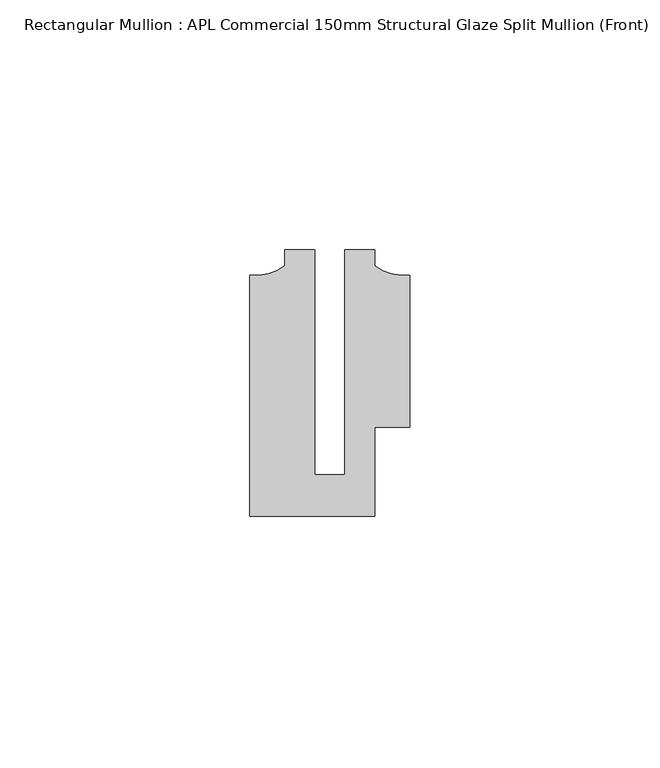
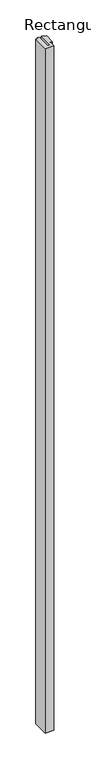
"""IFC4 building model written with IfcOpenShell, lengths in millimetres: member geometry, Rectangular Mullion : APL Commercial 150mm Structural Glaze Split Mullion (Front)."""

from ifc_helpers import new_model, si_unit, point, frame, frame_2d, origin, place, context, project, spatial, polyline, circle_curve, trimmed, segment, composite_curve, outline, extrude, source, transform, mapped, element, save


def rectangular_mullion_apl_commercial_150mm_structural_glaze_05d67338(model_context):
    return source(origin(), model_context, "Body", "SweptSolid", [
        extrude(outline(composite_curve([segment(polyline([(15.9999391, -14.9953356), (9.0, -14.9953356), (9.0, -32.7960123), (-15.9999391, -32.7960123), (-15.9999391, 15.3837352)]), True, "CONTINUOUS"), segment(trimmed(circle_curve(frame_2d((-15.1098019, 25.802169)), 10.4563907), [point((-15.9999391, 15.3837352))], [point((-8.9999842, 17.3165203))], True, "CARTESIAN"), True, "CONTINUOUS"), segment(polyline([(-8.9999842, 17.3165203), (-8.9999842, 20.5039877), (-2.9999659, 20.5039877), (-2.9999659, -24.5130805), (2.9999676, -24.5130805), (2.9999676, 20.5039877), (8.9999842, 20.5039877), (8.9999842, 17.3165203)]), True, "CONTINUOUS"), segment(trimmed(circle_curve(frame_2d((15.1098019, 25.802169)), 10.4563907), [point((8.9999842, 17.3165203))], [point((15.9999391, 15.3837352))], True, "CARTESIAN"), True, "CONTINUOUS"), segment(polyline([(15.9999391, 15.3837352), (15.9999391, -14.9953356)]), True, "CONTINUOUS")], self_intersect=False)), frame((0.0, 0.0, -2165.0000127), z_axis=(0.0, 0.0, 1.0), x_axis=(1.0, 0.0, 0.0)), (0.0, 0.0, 1.0), 2165.0000127),
    ])


if __name__ == "__main__":
    model = new_model("IFC4")
    model_context = context("Model", 3, world=origin())
    ifc_project = project(units=[si_unit("LENGTHUNIT", "METRE", prefix="MILLI")], contexts=[model_context])
    site = spatial("IfcSite", under=ifc_project)
    building = spatial("IfcBuilding", under=site)
    placement = place(None, origin())
    rectangular_mullion_apl_commercial_150mm_structural_glaze_shape = rectangular_mullion_apl_commercial_150mm_structural_glaze_05d67338(model_context)
    element("IfcMember", 1, ObjectType="Rectangular Mullion : APL Commercial 150mm Structural Glaze Split Mullion (Front)", at=placement, inside=building, context=model_context, shape_type="MappedRepresentation", body=[
        mapped(rectangular_mullion_apl_commercial_150mm_structural_glaze_shape, transform((0.0, 0.0, 0.0), x_axis=(1.0, 0.0, 0.0), y_axis=(0.0, 1.0, 0.0), z_axis=(0.0, 0.0, 1.0))),
    ])
    save(model, "model.ifc")
